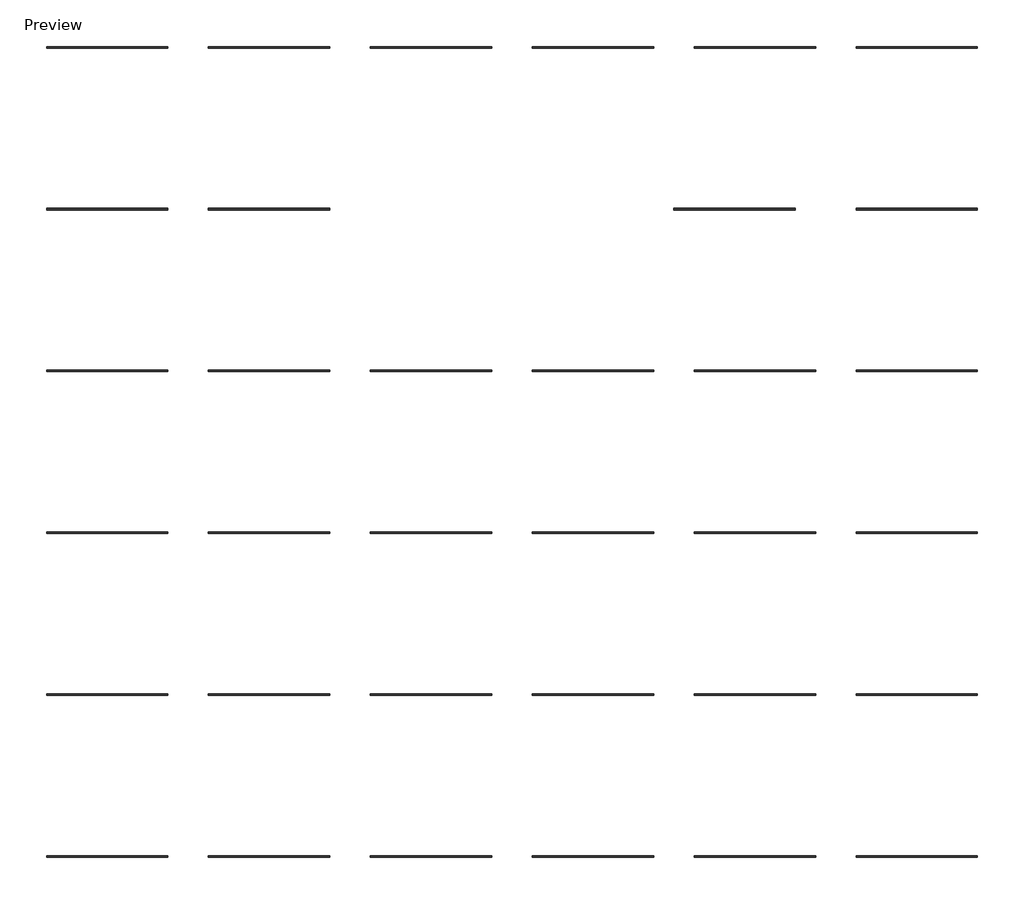
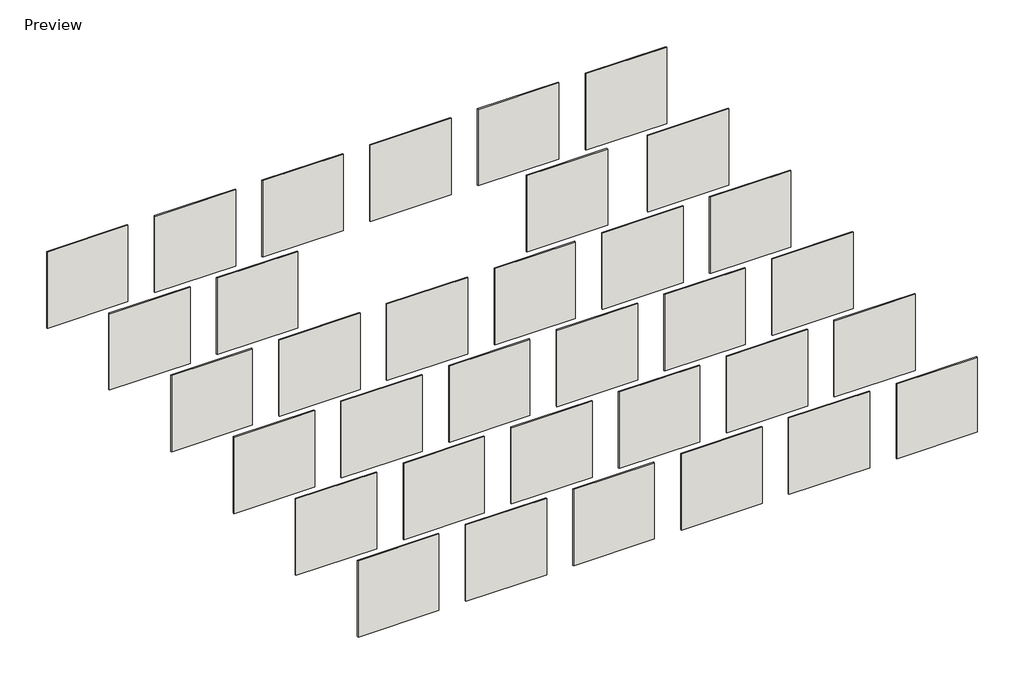
# One storey: 34 walls.
"""IFC4 building model written with IfcOpenShell, lengths in millimetres."""

from ifc_helpers import new_model, si_unit, frame, origin, origin_with_axes, place, context, project, spatial, polyline, outline, extrude, element, save

model = new_model("IFC4")

# Units and contexts
model_context = context("Model", 3, world=origin())
ifc_project = project(units=[si_unit("LENGTHUNIT", "METRE", prefix="MILLI")], contexts=[model_context])

# Site, building, storey
site = spatial("IfcSite", under=ifc_project)
building = spatial("IfcBuilding", under=site)
storey = spatial("IfcBuildingStorey", under=building, Name="Preview", Elevation=0.0)

# Walls
placement = place(None, origin())
element("IfcWall", 1, at=placement, inside=storey, context=model_context, shape_type="SweptSolid", body=[
    extrude(outline(polyline([(-18839.3718391, 8535.7201131), (-20668.1718391, 8535.7201131), (-20668.1718391, 8559.5326131), (-18839.3718391, 8559.5326131), (-18839.3718391, 8535.7201131)])), origin_with_axes(), (0.0, 0.0, 1.0), 1828.8),
])
element("IfcWall", 2, at=placement, inside=storey, context=model_context, shape_type="SweptSolid", body=[
    extrude(outline(polyline([(-16400.9718391, 8535.7201131), (-18229.7718391, 8535.7201131), (-18229.7718391, 8559.5326131), (-16400.9718391, 8559.5326131), (-16400.9718391, 8535.7201131)])), origin_with_axes(), (0.0, 0.0, 1.0), 1828.8),
])
element("IfcWall", 3, at=placement, inside=storey, context=model_context, shape_type="SweptSolid", body=[
    extrude(outline(polyline([(-13962.5718391, 8535.7201131), (-15791.3718391, 8535.7201131), (-15791.3718391, 8559.5326131), (-13962.5718391, 8559.5326131), (-13962.5718391, 8535.7201131)])), origin_with_axes(), (0.0, 0.0, 1.0), 1828.8),
])
element("IfcWall", 4, at=placement, inside=storey, context=model_context, shape_type="SweptSolid", body=[
    extrude(outline(polyline([(-11524.1718391, 8535.7201131), (-13352.9718391, 8535.7201131), (-13352.9718391, 8559.5326131), (-11524.1718391, 8559.5326131), (-11524.1718391, 8535.7201131)])), origin_with_axes(), (0.0, 0.0, 1.0), 1828.8),
])
element("IfcWall", 5, at=placement, inside=storey, context=model_context, shape_type="SweptSolid", body=[
    extrude(outline(polyline([(-9085.7718391, 8535.7201131), (-10914.5718391, 8535.7201131), (-10914.5718391, 8559.5326131), (-9085.7718391, 8559.5326131), (-9085.7718391, 8535.7201131)])), origin_with_axes(), (0.0, 0.0, 1.0), 1828.8),
])
element("IfcWall", 6, at=placement, inside=storey, context=model_context, shape_type="SweptSolid", body=[
    extrude(outline(polyline([(-6647.3718391, 8535.7201131), (-8476.1718391, 8535.7201131), (-8476.1718391, 8559.5326131), (-6647.3718391, 8559.5326131), (-6647.3718391, 8535.7201131)])), origin_with_axes(), (0.0, 0.0, 1.0), 1828.8),
])
element("IfcWall", 7, at=placement, inside=storey, context=model_context, shape_type="SweptSolid", body=[
    extrude(outline(polyline([(-18839.3718391, 6097.3201131), (-20668.1718391, 6097.3201131), (-20668.1718391, 6121.1326131), (-18839.3718391, 6121.1326131), (-18839.3718391, 6097.3201131)])), origin_with_axes(), (0.0, 0.0, 1.0), 1828.8),
])
element("IfcWall", 8, at=placement, inside=storey, context=model_context, shape_type="SweptSolid", body=[
    extrude(outline(polyline([(-16400.9718391, 6097.3201131), (-18229.7718391, 6097.3201131), (-18229.7718391, 6121.1326131), (-16400.9718391, 6121.1326131), (-16400.9718391, 6097.3201131)])), origin_with_axes(), (0.0, 0.0, 1.0), 1828.8),
])
element("IfcWall", 9, at=placement, inside=storey, context=model_context, shape_type="SweptSolid", body=[
    extrude(outline(polyline([(-13962.5718391, 6097.3201131), (-15791.3718391, 6097.3201131), (-15791.3718391, 6121.1326131), (-13962.5718391, 6121.1326131), (-13962.5718391, 6097.3201131)])), origin_with_axes(), (0.0, 0.0, 1.0), 1828.8),
])
element("IfcWall", 10, at=placement, inside=storey, context=model_context, shape_type="SweptSolid", body=[
    extrude(outline(polyline([(-11524.1718391, 6097.3201131), (-13352.9718391, 6097.3201131), (-13352.9718391, 6121.1326131), (-11524.1718391, 6121.1326131), (-11524.1718391, 6097.3201131)])), origin_with_axes(), (0.0, 0.0, 1.0), 1828.8),
])
element("IfcWall", 11, at=placement, inside=storey, context=model_context, shape_type="SweptSolid", body=[
    extrude(outline(polyline([(-9085.7718391, 6097.3201131), (-10914.5718391, 6097.3201131), (-10914.5718391, 6121.1326131), (-9085.7718391, 6121.1326131), (-9085.7718391, 6097.3201131)])), origin_with_axes(), (0.0, 0.0, 1.0), 1828.8),
])
element("IfcWall", 12, at=placement, inside=storey, context=model_context, shape_type="SweptSolid", body=[
    extrude(outline(polyline([(-6647.3718391, 6097.3201131), (-8476.1718391, 6097.3201131), (-8476.1718391, 6121.1326131), (-6647.3718391, 6121.1326131), (-6647.3718391, 6097.3201131)])), origin_with_axes(), (0.0, 0.0, 1.0), 1793.6354952),
])
element("IfcWall", 13, at=placement, inside=storey, context=model_context, shape_type="SweptSolid", body=[
    extrude(outline(polyline([(-18839.3718391, 10974.1201131), (-20668.1718391, 10974.1201131), (-20668.1718391, 10997.9326131), (-18839.3718391, 10997.9326131), (-18839.3718391, 10974.1201131)])), origin_with_axes(), (0.0, 0.0, 1.0), 1828.8),
])
element("IfcWall", 14, at=placement, inside=storey, context=model_context, shape_type="SweptSolid", body=[
    extrude(outline(polyline([(-16400.9718391, 10974.1201131), (-18229.7718391, 10974.1201131), (-18229.7718391, 10997.9326131), (-16400.9718391, 10997.9326131), (-16400.9718391, 10974.1201131)])), origin_with_axes(), (0.0, 0.0, 1.0), 1828.8),
])
element("IfcWall", 15, at=placement, inside=storey, context=model_context, shape_type="SweptSolid", body=[
    extrude(outline(polyline([(-13962.5718391, 10974.1201131), (-15791.3718391, 10974.1201131), (-15791.3718391, 10997.9326131), (-13962.5718391, 10997.9326131), (-13962.5718391, 10974.1201131)])), origin_with_axes(), (0.0, 0.0, 1.0), 1828.8),
])
element("IfcWall", 16, at=placement, inside=storey, context=model_context, shape_type="SweptSolid", body=[
    extrude(outline(polyline([(-11524.1718391, 10974.1201131), (-13352.9718391, 10974.1201131), (-13352.9718391, 10997.9326131), (-11524.1718391, 10997.9326131), (-11524.1718391, 10974.1201131)])), origin_with_axes(), (0.0, 0.0, 1.0), 1828.8),
])
element("IfcWall", 17, at=placement, inside=storey, context=model_context, shape_type="SweptSolid", body=[
    extrude(outline(polyline([(-9085.7718391, 10974.1201131), (-10914.5718391, 10974.1201131), (-10914.5718391, 10997.9326131), (-9085.7718391, 10997.9326131), (-9085.7718391, 10974.1201131)])), origin_with_axes(), (0.0, 0.0, 1.0), 1828.8),
])
element("IfcWall", 18, at=placement, inside=storey, context=model_context, shape_type="SweptSolid", body=[
    extrude(outline(polyline([(-6647.3718391, 10974.1201131), (-8476.1718391, 10974.1201131), (-8476.1718391, 10997.9326131), (-6647.3718391, 10997.9326131), (-6647.3718391, 10974.1201131)])), origin_with_axes(), (0.0, 0.0, 1.0), 1828.8),
])
element("IfcWall", 19, at=placement, inside=storey, context=model_context, shape_type="SweptSolid", body=[
    extrude(outline(polyline([(-18839.3718391, 13412.5201131), (-20668.1718391, 13412.5201131), (-20668.1718391, 13436.3326131), (-18839.3718391, 13436.3326131), (-18839.3718391, 13412.5201131)])), origin_with_axes(), (0.0, 0.0, 1.0), 1828.8),
])
element("IfcWall", 20, at=placement, inside=storey, context=model_context, shape_type="SweptSolid", body=[
    extrude(outline(polyline([(-16400.9718391, 13412.5201131), (-18229.7718391, 13412.5201131), (-18229.7718391, 13436.3326131), (-16400.9718391, 13436.3326131), (-16400.9718391, 13412.5201131)])), origin_with_axes(), (0.0, 0.0, 1.0), 1828.8),
])
element("IfcWall", 21, at=placement, inside=storey, context=model_context, shape_type="SweptSolid", body=[
    extrude(outline(polyline([(-13962.5718391, 13412.5201131), (-15791.3718391, 13412.5201131), (-15791.3718391, 13436.3326131), (-13962.5718391, 13436.3326131), (-13962.5718391, 13412.5201131)])), origin_with_axes(), (0.0, 0.0, 1.0), 1828.8),
])
element("IfcWall", 22, at=placement, inside=storey, context=model_context, shape_type="SweptSolid", body=[
    extrude(outline(polyline([(-11524.1718391, 13412.5201131), (-13352.9718391, 13412.5201131), (-13352.9718391, 13436.3326131), (-11524.1718391, 13436.3326131), (-11524.1718391, 13412.5201131)])), frame((0.0, 0.0, -5.2424975), z_axis=(0.0, 0.0, 1.0), x_axis=(1.0, 0.0, 0.0)), (0.0, 0.0, 1.0), 1834.0424975),
])
element("IfcWall", 23, at=placement, inside=storey, context=model_context, shape_type="SweptSolid", body=[
    extrude(outline(polyline([(-9085.7718391, 13412.5201131), (-10914.5718391, 13412.5201131), (-10914.5718391, 13436.3326131), (-9085.7718391, 13436.3326131), (-9085.7718391, 13412.5201131)])), origin_with_axes(), (0.0, 0.0, 1.0), 1828.8),
])
element("IfcWall", 24, at=placement, inside=storey, context=model_context, shape_type="SweptSolid", body=[
    extrude(outline(polyline([(-6647.3718391, 13412.5201131), (-8476.1718391, 13412.5201131), (-8476.1718391, 13436.3326131), (-6647.3718391, 13436.3326131), (-6647.3718391, 13412.5201131)])), origin_with_axes(), (0.0, 0.0, 1.0), 1828.8),
])
element("IfcWall", 25, at=placement, inside=storey, context=model_context, shape_type="SweptSolid", body=[
    extrude(outline(polyline([(-18839.3718391, 15850.9201131), (-20668.1718391, 15850.9201131), (-20668.1718391, 15874.7326131), (-18839.3718391, 15874.7326131), (-18839.3718391, 15850.9201131)])), origin_with_axes(), (0.0, 0.0, 1.0), 1828.8),
])
element("IfcWall", 26, at=placement, inside=storey, context=model_context, shape_type="SweptSolid", body=[
    extrude(outline(polyline([(-16400.9718391, 15850.9201131), (-18229.7718391, 15850.9201131), (-18229.7718391, 15874.7326131), (-16400.9718391, 15874.7326131), (-16400.9718391, 15850.9201131)])), origin_with_axes(), (0.0, 0.0, 1.0), 1828.8),
])
element("IfcWall", 27, at=placement, inside=storey, context=model_context, shape_type="SweptSolid", body=[
    extrude(outline(polyline([(-18839.3718391, 18289.3201131), (-20668.1718391, 18289.3201131), (-20668.1718391, 18313.1326131), (-18839.3718391, 18313.1326131), (-18839.3718391, 18289.3201131)])), origin_with_axes(), (0.0, 0.0, 1.0), 1828.8),
])
element("IfcWall", 28, at=placement, inside=storey, context=model_context, shape_type="SweptSolid", body=[
    extrude(outline(polyline([(-16400.9718391, 18289.3201131), (-18229.7718391, 18289.3201131), (-18229.7718391, 18313.1326131), (-16400.9718391, 18313.1326131), (-16400.9718391, 18289.3201131)])), origin_with_axes(), (0.0, 0.0, 1.0), 1828.8),
])
element("IfcWall", 29, at=placement, inside=storey, context=model_context, shape_type="SweptSolid", body=[
    extrude(outline(polyline([(-13962.5718391, 18289.3201131), (-15791.3718391, 18289.3201131), (-15791.3718391, 18313.1326131), (-13962.5718391, 18313.1326131), (-13962.5718391, 18289.3201131)])), origin_with_axes(), (0.0, 0.0, 1.0), 1828.8),
])
element("IfcWall", 30, at=placement, inside=storey, context=model_context, shape_type="SweptSolid", body=[
    extrude(outline(polyline([(-11524.1718391, 18289.3201131), (-13352.9718391, 18289.3201131), (-13352.9718391, 18313.1326131), (-11524.1718391, 18313.1326131), (-11524.1718391, 18289.3201131)])), origin_with_axes(), (0.0, 0.0, 1.0), 1828.8),
])
element("IfcWall", 31, at=placement, inside=storey, context=model_context, shape_type="SweptSolid", body=[
    extrude(outline(polyline([(-9085.7718391, 18289.3201131), (-10914.5718391, 18289.3201131), (-10914.5718391, 18313.1326131), (-9085.7718391, 18313.1326131), (-9085.7718391, 18289.3201131)])), origin_with_axes(), (0.0, 0.0, 1.0), 1828.8),
])
element("IfcWall", 32, at=placement, inside=storey, context=model_context, shape_type="SweptSolid", body=[
    extrude(outline(polyline([(-6647.3718391, 18289.3201131), (-8476.1718391, 18289.3201131), (-8476.1718391, 18313.1326131), (-6647.3718391, 18313.1326131), (-6647.3718391, 18289.3201131)])), origin_with_axes(), (0.0, 0.0, 1.0), 1828.8),
])
element("IfcWall", 33, at=placement, inside=storey, context=model_context, shape_type="SweptSolid", body=[
    extrude(outline(polyline([(-9390.5718391, 15850.9201131), (-11219.3718391, 15850.9201131), (-11219.3718391, 15874.7326131), (-9390.5718391, 15874.7326131), (-9390.5718391, 15850.9201131)])), origin_with_axes(), (0.0, 0.0, 1.0), 1828.8),
])
element("IfcWall", 34, at=placement, inside=storey, context=model_context, shape_type="SweptSolid", body=[
    extrude(outline(polyline([(-6647.3718391, 15850.9201131), (-8476.1718391, 15850.9201131), (-8476.1718391, 15874.7326131), (-6647.3718391, 15874.7326131), (-6647.3718391, 15850.9201131)])), origin_with_axes(), (0.0, 0.0, 1.0), 1828.8),
])

save(model, "model.ifc")
